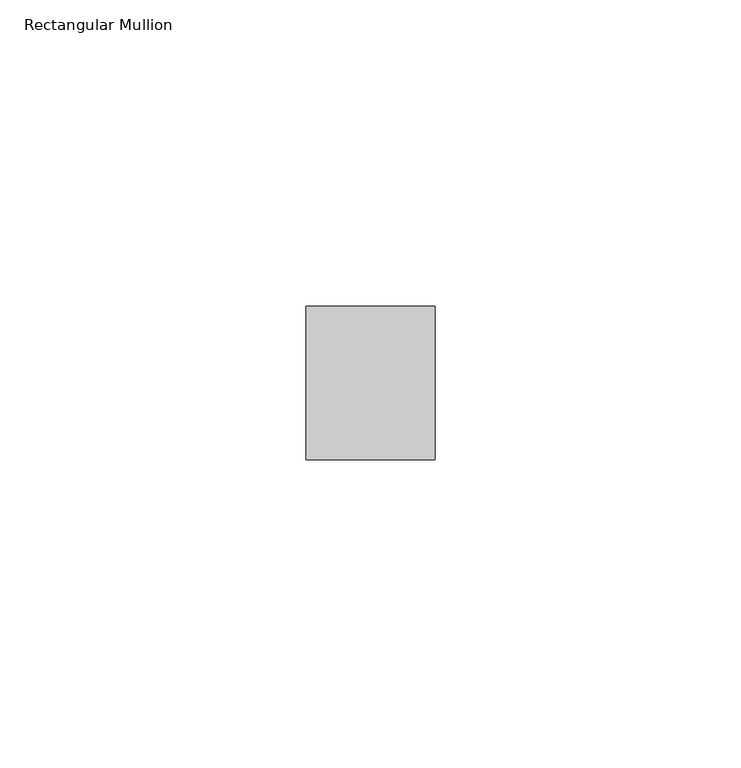
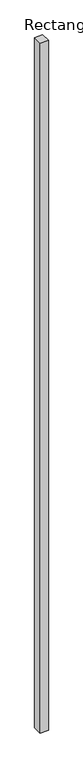
"""IFC4 building model written with IfcOpenShell, lengths in millimetres: member geometry, Rectangular Mullion."""

from ifc_helpers import new_model, si_unit, frame, origin, place, context, project, spatial, polyline, outline, extrude, source, transform, mapped, element, save


def rectangular_mullion_b1799dcc(model_context):
    return source(origin(), model_context, "Body", "SweptSolid", [
        extrude(outline(polyline([(0.0, 12.5), (0.0, -12.5), (-21.0, -12.5), (-21.0, 12.5), (0.0, 12.5)])), frame((0.0, 0.0, -1900.0000001), z_axis=(0.0, 0.0, 1.0), x_axis=(1.0, 0.0, 0.0)), (0.0, 0.0, 1.0), 1900.0000001),
    ])


if __name__ == "__main__":
    model = new_model("IFC4")
    model_context = context("Model", 3, world=origin())
    ifc_project = project(units=[si_unit("LENGTHUNIT", "METRE", prefix="MILLI")], contexts=[model_context])
    site = spatial("IfcSite", under=ifc_project)
    building = spatial("IfcBuilding", under=site)
    placement = place(None, origin())
    rectangular_mullion_shape = rectangular_mullion_b1799dcc(model_context)
    element("IfcMember", 1, ObjectType="Rectangular Mullion", at=placement, inside=building, context=model_context, shape_type="MappedRepresentation", body=[
        mapped(rectangular_mullion_shape, transform((0.0, 0.0, 0.0), x_axis=(1.0, 0.0, 0.0), y_axis=(0.0, 1.0, 0.0), z_axis=(0.0, 0.0, 1.0))),
    ])
    save(model, "model.ifc")
